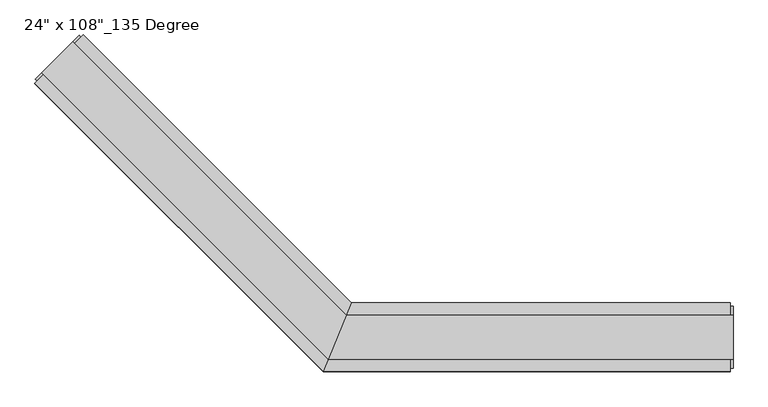
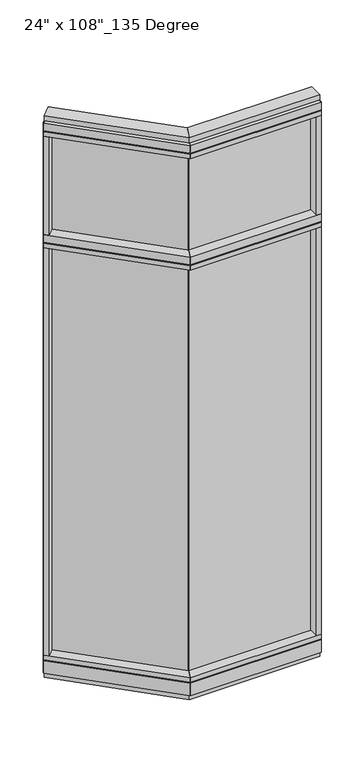
"""IFC4 building model written with IfcOpenShell, lengths in millimetres: furniture geometry."""

from ifc_helpers import new_model, si_unit, frame, origin, origin_with_axes, place, context, project, spatial, polyline, outline, extrude, faceted_brep, source, transform, mapped, element, save


def furniture_f82e64dc(model_context):
    return source(origin(), model_context, "Body", "SolidModel", [
        extrude(outline(polyline([(-745.0605671, 389.5641666), (-737.8763622, 396.7483715), (-338.7937802, -2.3342105), (-345.9779851, -9.5184154), (-745.0605671, 389.5641666)])), frame((0.0, 0.0, 2174.875), z_axis=(0.0, 0.0, 1.0), x_axis=(1.0, 0.0, 0.0)), (0.0, 0.0, 1.0), 457.2),
        extrude(outline(polyline([(-745.0605671, 389.5641666), (-737.8763622, 396.7483715), (-338.7937802, -2.3342105), (-345.9779851, -9.5184154), (-745.0605671, 389.5641666)])), frame((0.0, 0.0, 120.523), z_axis=(0.0, 0.0, 1.0), x_axis=(1.0, 0.0, 0.0)), (0.0, 0.0, 1.0), 2013.077),
        extrude(outline(polyline([(-721.2628884, 444.7927418), (-322.752425, 46.2822784), (-364.8365229, -55.3177216), (-793.1049374, 372.9506928), (-721.2628884, 444.7927418)])), frame((0.0, 0.0, 2111.375), z_axis=(0.0, 0.0, 1.0), x_axis=(1.0, 0.0, 0.0)), (0.0, 0.0, 1.0), 22.225),
        faceted_brep([(-322.752425, 46.2822784, 2138.553), (-322.752425, 46.2822784, 2174.875), (-364.8365229, -55.3177216, 2174.875), (-364.8365229, -55.3177216, 2138.553), (-362.7849232, -50.3647216, 2138.553), (-362.7849232, -50.3647216, 2133.6), (-324.8040248, 41.3292784, 2133.6), (-324.8040248, 41.3292784, 2138.553), (-721.2628884, 444.7927418, 2138.553), (-724.7651883, 441.2904419, 2138.553), (-724.7651883, 441.2904419, 2133.6), (-789.6026375, 376.4529927, 2133.6), (-789.6026375, 376.4529927, 2138.553), (-793.1049374, 372.9506928, 2138.553), (-793.1049374, 372.9506928, 2174.875), (-721.2628884, 444.7927418, 2174.875)], [[[0, 1, 2, 3, 4, 5, 6, 7]], [[8, 9, 10, 11, 12, 13, 14, 15]], [[8, 0, 7, 9]], [[13, 3, 2, 14]], [[14, 2, 1, 15]], [[15, 1, 0, 8]], [[9, 7, 6, 10]], [[10, 6, 5, 11]], [[11, 5, 4, 12]], [[12, 4, 3, 13]]]),
        extrude(outline(polyline([(-777.3894891, 357.2352446), (-793.1049374, 372.9506928), (-721.2628884, 444.7927418), (-705.5474402, 429.0772935), (-777.3894891, 357.2352446)])), frame((0.0, 0.0, 2174.875), z_axis=(0.0, 0.0, 1.0), x_axis=(1.0, 0.0, 0.0)), (0.0, 0.0, 1.0), 479.425),
        extrude(outline(polyline([(-721.2628884, 444.7927418), (-322.752425, 46.2822784), (-364.8365229, -55.3177216), (-793.1049374, 372.9506928), (-721.2628884, 444.7927418)])), frame((0.0, 0.0, 2654.3), z_axis=(0.0, 0.0, 1.0), x_axis=(1.0, 0.0, 0.0)), (0.0, 0.0, 1.0), 22.225),
        faceted_brep([(-322.752425, 46.2822784, 2681.478), (-322.752425, 46.2822784, 2717.8), (-364.8365229, -55.3177216, 2717.8), (-364.8365229, -55.3177216, 2681.478), (-362.7849232, -50.3647216, 2681.478), (-362.7849232, -50.3647216, 2676.525), (-324.8040248, 41.3292784, 2676.525), (-324.8040248, 41.3292784, 2681.478), (-721.2628884, 444.7927418, 2681.478), (-724.7651883, 441.2904419, 2681.478), (-724.7651883, 441.2904419, 2676.525), (-789.6026375, 376.4529927, 2676.525), (-789.6026375, 376.4529927, 2681.478), (-793.1049374, 372.9506928, 2681.478), (-793.1049374, 372.9506928, 2717.8), (-721.2628884, 444.7927418, 2717.8)], [[[0, 1, 2, 3, 4, 5, 6, 7]], [[8, 9, 10, 11, 12, 13, 14, 15]], [[8, 0, 7, 9]], [[13, 3, 2, 14]], [[14, 2, 1, 15]], [[15, 1, 0, 8]], [[9, 7, 6, 10]], [[10, 6, 5, 11]], [[11, 5, 4, 12]], [[12, 4, 3, 13]]]),
        extrude(outline(polyline([(-736.9783366, 434.6450523), (-330.3275626, 27.9942784), (-357.2613853, -37.0297216), (-782.9572479, 388.666141), (-736.9783366, 434.6450523)])), frame((0.0, 0.0, 2717.8), z_axis=(0.0, 0.0, 1.0), x_axis=(1.0, 0.0, 0.0)), (0.0, 0.0, 1.0), 25.4),
        faceted_brep([(-324.8040248, 41.3292784, 93.345), (-324.8040248, 41.3292784, 98.298), (-362.7849232, -50.3647216, 98.298), (-362.7849232, -50.3647216, 93.345), (-364.8365229, -55.3177216, 93.345), (-364.8365229, -55.3177216, 31.75), (-322.752425, 46.2822784, 31.75), (-322.752425, 46.2822784, 93.345), (-721.2628884, 444.7927418, 93.345), (-721.2628884, 444.7927418, 31.75), (-793.1049374, 372.9506928, 31.75), (-793.1049374, 372.9506928, 93.345), (-789.6026375, 376.4529927, 93.345), (-789.6026375, 376.4529927, 98.298), (-724.7651883, 441.2904419, 98.298), (-724.7651883, 441.2904419, 93.345)], [[[0, 1, 2, 3, 4, 5, 6, 7]], [[8, 9, 10, 11, 12, 13, 14, 15]], [[15, 0, 7, 8]], [[10, 5, 4, 11]], [[9, 6, 5, 10]], [[8, 7, 6, 9]], [[14, 1, 0, 15]], [[13, 2, 1, 14]], [[12, 3, 2, 13]], [[11, 4, 3, 12]]]),
        extrude(outline(polyline([(-721.2628884, 444.7927418), (-322.752425, 46.2822784), (-364.8365229, -55.3177216), (-793.1049374, 372.9506928), (-721.2628884, 444.7927418)])), frame((0.0, 0.0, 98.298), z_axis=(0.0, 0.0, 1.0), x_axis=(1.0, 0.0, 0.0)), (0.0, 0.0, 1.0), 22.225),
        extrude(outline(polyline([(-736.9783366, 434.6450523), (-330.3275626, 27.9942784), (-357.2613853, -37.0297216), (-782.9572479, 388.666141), (-736.9783366, 434.6450523)])), origin_with_axes(), (0.0, 0.0, 1.0), 31.75),
        extrude(outline(polyline([(-777.3894891, 357.2352446), (-793.1049374, 372.9506928), (-721.2628884, 444.7927418), (-705.5474402, 429.0772935), (-777.3894891, 357.2352446)])), frame((0.0, 0.0, 120.523), z_axis=(0.0, 0.0, 1.0), x_axis=(1.0, 0.0, 0.0)), (0.0, 0.0, 1.0), 1990.852),
        extrude(outline(polyline([(-792.3865169, 379.2368721), (-727.5490677, 444.0743213), (-724.7651883, 441.2904419), (-789.6026375, 376.4529927), (-792.3865169, 379.2368721)])), frame((0.0, 0.0, 31.75), z_axis=(0.0, 0.0, 1.0), x_axis=(1.0, 0.0, 0.0)), (0.0, 0.0, 1.0), 2686.05),
        extrude(outline(polyline([(218.6014771, -9.5977216), (-345.7865229, -9.5977216), (-345.7865229, 0.5622784), (218.6014771, 0.5622784), (218.6014771, -9.5977216)])), frame((0.0, 0.0, 2174.875), z_axis=(0.0, 0.0, 1.0), x_axis=(1.0, 0.0, 0.0)), (0.0, 0.0, 1.0), 457.2),
        extrude(outline(polyline([(218.6014771, -9.5977216), (-345.7865229, -9.5977216), (-345.7865229, 0.5622784), (218.6014771, 0.5622784), (218.6014771, -9.5977216)])), frame((0.0, 0.0, 120.523), z_axis=(0.0, 0.0, 1.0), x_axis=(1.0, 0.0, 0.0)), (0.0, 0.0, 1.0), 2013.077),
        extrude(outline(polyline([(240.8264771, 46.2822784), (240.8264771, -55.3177216), (-364.8365229, -55.3177216), (-322.752425, 46.2822784), (240.8264771, 46.2822784)])), frame((0.0, 0.0, 2111.375), z_axis=(0.0, 0.0, 1.0), x_axis=(1.0, 0.0, 0.0)), (0.0, 0.0, 1.0), 22.225),
        faceted_brep([(-322.752425, 46.2822784, 2138.553), (-324.8040248, 41.3292784, 2138.553), (-324.8040248, 41.3292784, 2133.6), (-362.7849232, -50.3647216, 2133.6), (-362.7849232, -50.3647216, 2138.553), (-364.8365229, -55.3177216, 2138.553), (-364.8365229, -55.3177216, 2174.875), (-322.752425, 46.2822784, 2174.875), (240.8264771, 46.2822784, 2138.553), (240.8264771, 46.2822784, 2174.875), (240.8264771, -55.3177216, 2174.875), (240.8264771, -55.3177216, 2138.553), (240.8264771, -50.3647216, 2138.553), (240.8264771, -50.3647216, 2133.6), (240.8264771, 41.3292784, 2133.6), (240.8264771, 41.3292784, 2138.553)], [[[0, 1, 2, 3, 4, 5, 6, 7]], [[8, 9, 10, 11, 12, 13, 14, 15]], [[8, 15, 1, 0]], [[11, 10, 6, 5]], [[10, 9, 7, 6]], [[9, 8, 0, 7]], [[15, 14, 2, 1]], [[14, 13, 3, 2]], [[13, 12, 4, 3]], [[12, 11, 5, 4]]]),
        extrude(outline(polyline([(218.6014771, -55.3177216), (218.6014771, 46.2822784), (240.8264771, 46.2822784), (240.8264771, -55.3177216), (218.6014771, -55.3177216)])), frame((0.0, 0.0, 2174.875), z_axis=(0.0, 0.0, 1.0), x_axis=(1.0, 0.0, 0.0)), (0.0, 0.0, 1.0), 479.425),
        extrude(outline(polyline([(240.8264771, 46.2822784), (240.8264771, -55.3177216), (-364.8365229, -55.3177216), (-322.752425, 46.2822784), (240.8264771, 46.2822784)])), frame((0.0, 0.0, 2654.3), z_axis=(0.0, 0.0, 1.0), x_axis=(1.0, 0.0, 0.0)), (0.0, 0.0, 1.0), 22.225),
        faceted_brep([(-322.752425, 46.2822784, 2681.478), (-324.8040248, 41.3292784, 2681.478), (-324.8040248, 41.3292784, 2676.525), (-362.7849232, -50.3647216, 2676.525), (-362.7849232, -50.3647216, 2681.478), (-364.8365229, -55.3177216, 2681.478), (-364.8365229, -55.3177216, 2717.8), (-322.752425, 46.2822784, 2717.8), (240.8264771, 46.2822784, 2681.478), (240.8264771, 46.2822784, 2717.8), (240.8264771, -55.3177216, 2717.8), (240.8264771, -55.3177216, 2681.478), (240.8264771, -50.3647216, 2681.478), (240.8264771, -50.3647216, 2676.525), (240.8264771, 41.3292784, 2676.525), (240.8264771, 41.3292784, 2681.478)], [[[0, 1, 2, 3, 4, 5, 6, 7]], [[8, 9, 10, 11, 12, 13, 14, 15]], [[8, 15, 1, 0]], [[11, 10, 6, 5]], [[10, 9, 7, 6]], [[9, 8, 0, 7]], [[15, 14, 2, 1]], [[14, 13, 3, 2]], [[13, 12, 4, 3]], [[12, 11, 5, 4]]]),
        extrude(outline(polyline([(244.7634771, 27.9942784), (244.7634771, -37.0297216), (-357.2613853, -37.0297216), (-330.3275626, 27.9942784), (244.7634771, 27.9942784)])), frame((0.0, 0.0, 2717.8), z_axis=(0.0, 0.0, 1.0), x_axis=(1.0, 0.0, 0.0)), (0.0, 0.0, 1.0), 25.4),
        faceted_brep([(-324.8040248, 41.3292784, 93.345), (-322.752425, 46.2822784, 93.345), (-322.752425, 46.2822784, 31.75), (-364.8365229, -55.3177216, 31.75), (-364.8365229, -55.3177216, 93.345), (-362.7849232, -50.3647216, 93.345), (-362.7849232, -50.3647216, 98.298), (-324.8040248, 41.3292784, 98.298), (240.8264771, 46.2822784, 93.345), (240.8264771, 41.3292784, 93.345), (240.8264771, 41.3292784, 98.298), (240.8264771, -50.3647216, 98.298), (240.8264771, -50.3647216, 93.345), (240.8264771, -55.3177216, 93.345), (240.8264771, -55.3177216, 31.75), (240.8264771, 46.2822784, 31.75)], [[[0, 1, 2, 3, 4, 5, 6, 7]], [[8, 9, 10, 11, 12, 13, 14, 15]], [[9, 8, 1, 0]], [[14, 13, 4, 3]], [[15, 14, 3, 2]], [[8, 15, 2, 1]], [[10, 9, 0, 7]], [[11, 10, 7, 6]], [[12, 11, 6, 5]], [[13, 12, 5, 4]]]),
        extrude(outline(polyline([(240.8264771, 46.2822784), (240.8264771, -55.3177216), (-364.8365229, -55.3177216), (-322.752425, 46.2822784), (240.8264771, 46.2822784)])), frame((0.0, 0.0, 98.298), z_axis=(0.0, 0.0, 1.0), x_axis=(1.0, 0.0, 0.0)), (0.0, 0.0, 1.0), 22.225),
        extrude(outline(polyline([(244.7634771, 27.9942784), (244.7634771, -37.0297216), (-357.2613853, -37.0297216), (-330.3275626, 27.9942784), (244.7634771, 27.9942784)])), origin_with_axes(), (0.0, 0.0, 1.0), 31.75),
        extrude(outline(polyline([(218.6014771, -55.3177216), (218.6014771, 46.2822784), (240.8264771, 46.2822784), (240.8264771, -55.3177216), (218.6014771, -55.3177216)])), frame((0.0, 0.0, 120.523), z_axis=(0.0, 0.0, 1.0), x_axis=(1.0, 0.0, 0.0)), (0.0, 0.0, 1.0), 1990.852),
        extrude(outline(polyline([(244.7634771, -50.3647216), (240.8264771, -50.3647216), (240.8264771, 41.3292784), (244.7634771, 41.3292784), (244.7634771, -50.3647216)])), frame((0.0, 0.0, 31.75), z_axis=(0.0, 0.0, 1.0), x_axis=(1.0, 0.0, 0.0)), (0.0, 0.0, 1.0), 2686.05),
    ])


if __name__ == "__main__":
    model = new_model("IFC4")
    model_context = context("Model", 3, world=origin())
    ifc_project = project(units=[si_unit("LENGTHUNIT", "METRE", prefix="MILLI")], contexts=[model_context])
    site = spatial("IfcSite", under=ifc_project)
    building = spatial("IfcBuilding", under=site)
    placement = place(None, origin())
    furniture_shape = furniture_f82e64dc(model_context)
    element("IfcFurniture", 1, ObjectType="24\" x 108\"_135 Degree", at=placement, inside=building, context=model_context, shape_type="MappedRepresentation", body=[
        mapped(furniture_shape, transform((0.0, 0.0, 0.0), x_axis=(1.0, 0.0, 0.0), y_axis=(0.0, 1.0, 0.0), z_axis=(0.0, 0.0, 1.0))),
    ])
    save(model, "model.ifc")
